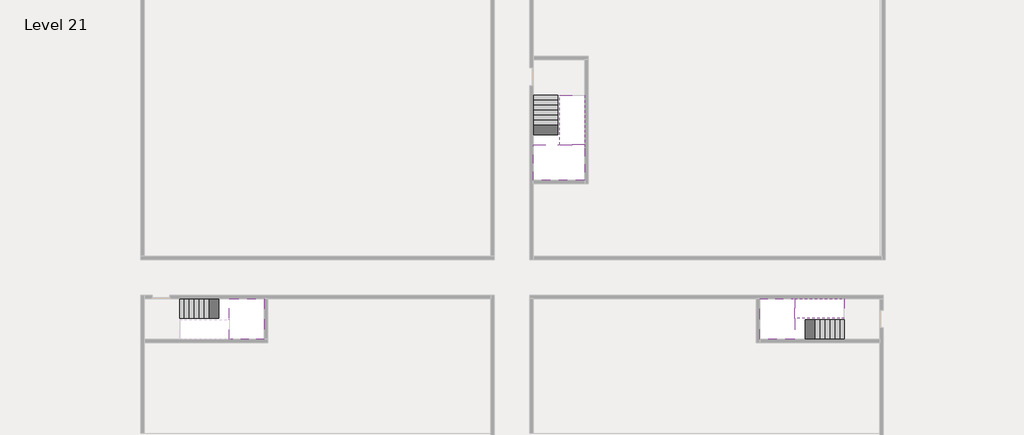
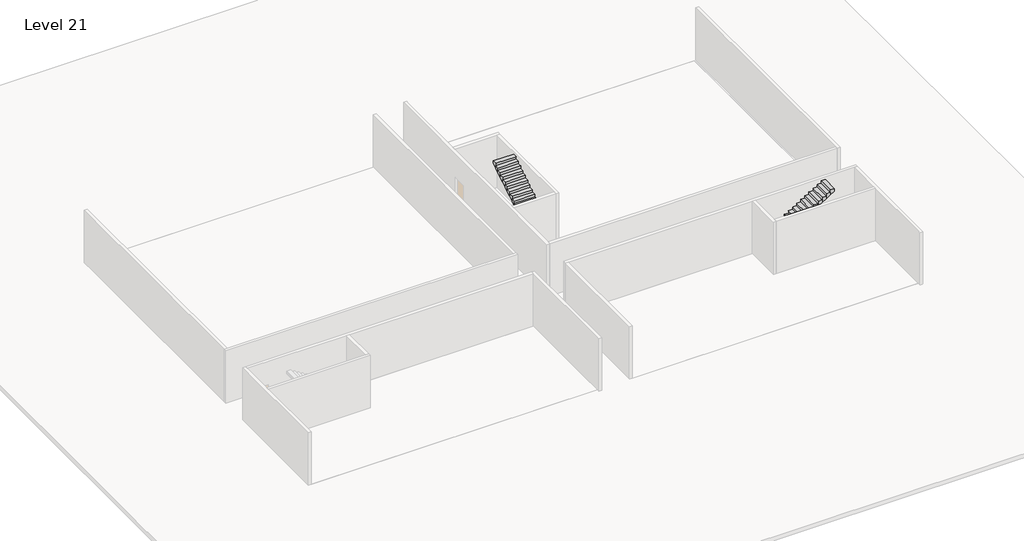
# One storey, part 2 of 2: 5 stair flights, 3 slabs.
"""IFC4 building model written with IfcOpenShell, lengths in millimetres."""

import ifcopenshell
import ifcopenshell.guid

model = None  # the IFC model being written
_history = None  # IfcOwnerHistory: only IFC2X3 demands one
_inside = {}  # id of a spatial element -> (the spatial element, [elements in it])
_under = {}  # id of a project, library or spatial element -> (it, [spatial elements below it])
_declared = {}  # id of a project -> (the project, [libraries it declares])
_typed = {}  # id of a type object -> (the type object, [elements of that type])
_made_of = {}  # id of a material, layer set ... -> (it, [elements and type objects made of it])


def new_model(schema):
    """Start an empty IFC model of exactly this schema.

    Asked for "IFC4X3", IfcOpenShell would pick the latest addendum, in which some entities
    have other attributes; the version numbers below select the first issue.
    IFC2X3 requires an IfcOwnerHistory on every rooted entity: one is made here for all.
    """
    global model, _history
    if schema == "IFC4X3":
        model = ifcopenshell.file(schema_version=(4, 3, 0, 0))
    else:
        model = ifcopenshell.file(schema=schema)
    _inside.clear()
    _under.clear()
    _declared.clear()
    _typed.clear()
    _made_of.clear()
    _history = None
    if model.schema == "IFC2X3":
        org = make("IfcOrganization", Name="unknown")
        user = make(
            "IfcPersonAndOrganization",
            ThePerson=make("IfcPerson", FamilyName="unknown"),
            TheOrganization=org,
        )
        app = make(
            "IfcApplication",
            ApplicationDeveloper=org,
            Version="unknown",
            ApplicationFullName="unknown",
            ApplicationIdentifier="unknown",
        )
        _history = make(
            "IfcOwnerHistory",
            OwningUser=user,
            OwningApplication=app,
            ChangeAction="ADDED",
            CreationDate=0,
        )
    return model


def make(cls, **values):
    """One entity of the class cls with the attributes given. An attribute that is None is left unset."""
    return model.create_entity(
        cls, **{name: value for name, value in values.items() if value is not None}
    )


def rooted(cls, **values):
    """An entity with a GlobalId (a new one), such as an element, a storey or a relation."""
    return make(cls, GlobalId=ifcopenshell.guid.new(), OwnerHistory=_history, **values)


def si_unit(unit_type, name, prefix=None):
    """IfcSIUnit, for example si_unit("LENGTHUNIT", "METRE", prefix="MILLI")."""
    return make("IfcSIUnit", UnitType=unit_type, Prefix=prefix, Name=name)


def assignment(units):
    """IfcUnitAssignment: the units of a project."""
    return None if units is None else make("IfcUnitAssignment", Units=units)


def point(xyz):
    """IfcCartesianPoint."""
    return None if xyz is None else make("IfcCartesianPoint", Coordinates=xyz)


def direction(xyz):
    """IfcDirection."""
    return None if xyz is None else make("IfcDirection", DirectionRatios=xyz)


def frame(location, z_axis=None, x_axis=None):
    """IfcAxis2Placement3D, a coordinate frame: its origin and axes. An axis left out is left unset."""
    return make(
        "IfcAxis2Placement3D",
        Location=point(location),
        Axis=direction(z_axis),
        RefDirection=direction(x_axis),
    )


def origin():
    """The frame at (0, 0, 0) with its axes left unset."""
    return frame((0.0, 0.0, 0.0))


def place(relative_to, where):
    """IfcLocalPlacement: puts the frame where relative to a parent placement (None: the world)."""
    return make(
        "IfcLocalPlacement", PlacementRelTo=relative_to, RelativePlacement=where
    )


def context(
    kind, dimensions, precision=None, world=None, true_north=None, identifier=None
):
    """IfcGeometricRepresentationContext, for example the 3D "Model" context."""
    return make(
        "IfcGeometricRepresentationContext",
        ContextIdentifier=identifier,
        ContextType=kind,
        CoordinateSpaceDimension=dimensions,
        Precision=precision,
        WorldCoordinateSystem=world,
        TrueNorth=true_north,
    )


def project(units=None, contexts=None):
    """IfcProject with its units and contexts."""
    return rooted(
        "IfcProject",
        Name="project",
        RepresentationContexts=contexts,
        UnitsInContext=assignment(units),
    )


def spatial(cls, under=None, at=None, **own):
    """A site, building, storey or space (cls), placed at a placement, below another one or the project."""
    s = rooted(cls, ObjectPlacement=at, **own)
    if under is not None:
        _under.setdefault(under.id(), (under, []))[1].append(s)
    return s


def faces_of(points, faces, orient=None, outer=None):
    """IfcFace entities. A face is a list of loops; a loop is a list of indices into points, from 0.

    orient and outer hold one flag for each loop. By default every Orientation is true, the
    first loop of a face is its IfcFaceOuterBound and the others are IfcFaceBound.
    """
    made = []
    for i, loops in enumerate(faces):
        bounds = []
        for j, loop in enumerate(loops):
            is_outer = j == 0 if outer is None else outer[i][j]
            bounds.append(
                make(
                    "IfcFaceOuterBound" if is_outer else "IfcFaceBound",
                    Bound=make("IfcPolyLoop", Polygon=[points[k] for k in loop]),
                    Orientation=True if orient is None else orient[i][j],
                )
            )
        made.append(make("IfcFace", Bounds=bounds))
    return made


def faceted_brep(points, faces, orient=None, outer=None, voids=None):
    """IfcFacetedBrep: a solid bounded by flat faces; with voids (closed shells), ...WithVoids."""
    shared = [point(p) for p in points]
    hull = make("IfcClosedShell", CfsFaces=faces_of(shared, faces, orient, outer))
    if voids is None:
        return make("IfcFacetedBrep", Outer=hull)
    return make(
        "IfcFacetedBrepWithVoids",
        Outer=hull,
        Voids=[
            make(cls, CfsFaces=faces_of(shared, fs, o, b)) for cls, fs, o, b in voids
        ],
    )


def shape(context_of_items, identifier, shape_type, items):
    """IfcShapeRepresentation: the items that make up one representation, for example the "Body"."""
    return make(
        "IfcShapeRepresentation",
        ContextOfItems=context_of_items,
        RepresentationIdentifier=identifier,
        RepresentationType=shape_type,
        Items=items,
    )


def made_of(thing, what):
    """Note that an element or type object is made of a material, layer set ...; save() writes the relation."""
    if what is not None:
        _made_of.setdefault(what.id(), (what, []))[1].append(thing)
    return thing


def element(
    cls,
    number,
    at=None,
    inside=None,
    cuts=None,
    type_object=None,
    material=None,
    context=None,
    identifier="Body",
    shape_type=None,
    held_by="IfcProductDefinitionShape",
    body=None,
    shapes=None,
    **own,
):
    """One element of the class cls, such as IfcWall. Its Tag is "e" and its number.

    at: its placement. inside: the storey or other place that contains it. cuts: it is an
    opening in that element (IfcRelVoidsElement). A single representation is given by context,
    identifier, shape_type and body (its items); several are given by shapes. held_by: the class
    of the entity that holds the representations. save() writes the other relations.
    """
    e = rooted(cls, Tag="e%d" % number, ObjectPlacement=at, **own)
    if body is not None:
        shapes = [shape(context, identifier, shape_type, body)]
    if shapes is not None:
        e.Representation = make(held_by, Representations=shapes)
    if inside is not None:
        _inside.setdefault(inside.id(), (inside, []))[1].append(e)
    if cuts is not None:
        rooted(
            "IfcRelVoidsElement", RelatingBuildingElement=cuts, RelatedOpeningElement=e
        )
    if type_object is not None:
        _typed.setdefault(type_object.id(), (type_object, []))[1].append(e)
    return made_of(e, material)


def aggregate(whole, parts):
    """IfcRelAggregates: a whole, such as a stair, and the parts it consists of."""
    return rooted("IfcRelAggregates", RelatingObject=whole, RelatedObjects=parts)


def save(model, path):
    """Write the relations noted so far, then the file.

    IfcRelAggregates (storeys below a building ...), IfcRelContainedInSpatialStructure (elements
    in a storey), IfcRelDefinesByType, IfcRelAssociatesMaterial and IfcRelDeclares: one each for
    every whole, place, type object, material and project.
    """
    for whole, parts in _under.values():
        aggregate(whole, parts)
    for where, things in _inside.values():
        rooted(
            "IfcRelContainedInSpatialStructure",
            RelatedElements=things,
            RelatingStructure=where,
        )
    for kind, things in _typed.values():
        rooted("IfcRelDefinesByType", RelatedObjects=things, RelatingType=kind)
    for what, things in _made_of.values():
        rooted("IfcRelAssociatesMaterial", RelatedObjects=things, RelatingMaterial=what)
    for by, libraries in _declared.values():
        rooted("IfcRelDeclares", RelatingContext=by, RelatedDefinitions=libraries)
    model.write(path)


model = new_model("IFC4")

# Units and contexts
model_context = context("Model", 3, world=origin())
ifc_project = project(units=[si_unit("LENGTHUNIT", "METRE", prefix="MILLI")], contexts=[model_context])

# Site, building, storey
site = spatial("IfcSite", under=ifc_project)
building = spatial("IfcBuilding", under=site)
storey = spatial("IfcBuildingStorey", under=building, Name="Level 21", Elevation=76000.0)

# Slabs
placement = place(None, origin())
element("IfcSlab", 1, at=placement, inside=storey, context=model_context, shape_type="Brep", body=[
    faceted_brep([(8190.1058784, -42918.09644, 77900.0), (8190.1058784, -44018.09644, 77900.0), (8190.1058784, -44118.09644, 77900.0), (8190.1058784, -45218.09644, 77900.0), (8390.7194421, -45218.09644, 77900.0), (10190.1058784, -45218.09644, 77900.0), (10190.1058784, -42918.09644, 77900.0), (8269.4923146, -42918.09644, 77900.0), (8190.1058784, -42918.09644, 77727.2727273), (8190.1058784, -42918.09644, 77551.0278478), (8190.1058784, -44018.09644, 77551.0278478), (8190.1058784, -44018.09644, 77600.0), (8190.1058784, -44118.09644, 77600.0), (8190.1058784, -44118.09644, 77723.7551205), (8190.1058784, -45218.09644, 77723.7551205), (8390.7194421, -45218.09644, 77600.0), (10190.1058784, -45218.09644, 77600.0), (10190.1058784, -42918.09644, 77600.0), (8269.4923146, -42918.09644, 77600.0), (8390.7194421, -44118.09644, 77600.0), (8269.4923146, -44018.09644, 77600.0)], [[[0, 1, 2, 3, 4, 5, 6, 7]], [[1, 0, 8, 9, 10, 11]], [[2, 1, 11, 12, 13]], [[3, 2, 13, 14]], [[3, 14, 15, 16, 5, 4]], [[6, 5, 16, 17]], [[9, 8, 0, 7, 6, 17, 18]], [[19, 12, 11, 20, 18, 17, 16, 15]], [[12, 19, 13]], [[18, 20, 10, 9]], [[20, 11, 10]], [[19, 15, 14, 13]]]),
])
element("IfcSlab", 2, at=placement, inside=storey, context=model_context, shape_type="Brep", body=[
    faceted_brep([(40190.1058784, -45218.09644, 77900.0), (40190.1058784, -44118.09644, 77900.0), (40190.1058784, -44018.09644, 77900.0), (40190.1058784, -42918.09644, 77900.0), (39989.4923146, -42918.09644, 77900.0), (38190.1058784, -42918.09644, 77900.0), (38190.1058784, -45218.09644, 77900.0), (40110.7194421, -45218.09644, 77900.0), (40190.1058784, -45218.09644, 77727.2727273), (40190.1058784, -45218.09644, 77551.0278478), (40190.1058784, -44118.09644, 77551.0278478), (40190.1058784, -44118.09644, 77600.0), (40190.1058784, -44018.09644, 77600.0), (40190.1058784, -44018.09644, 77723.7551205), (40190.1058784, -42918.09644, 77723.7551205), (39989.4923146, -42918.09644, 77600.0), (38190.1058784, -42918.09644, 77600.0), (38190.1058784, -45218.09644, 77600.0), (40110.7194421, -45218.09644, 77600.0), (39989.4923146, -44018.09644, 77600.0), (40110.7194421, -44118.09644, 77600.0)], [[[0, 1, 2, 3, 4, 5, 6, 7]], [[1, 0, 8, 9, 10, 11]], [[2, 1, 11, 12, 13]], [[3, 2, 13, 14]], [[3, 14, 15, 16, 5, 4]], [[6, 5, 16, 17]], [[9, 8, 0, 7, 6, 17, 18]], [[19, 12, 11, 20, 18, 17, 16, 15]], [[12, 19, 13]], [[18, 20, 10, 9]], [[20, 11, 10]], [[19, 15, 14, 13]]]),
])
element("IfcSlab", 3, at=placement, inside=storey, context=model_context, shape_type="Brep", body=[
    faceted_brep([(26790.1058784, -34218.09644, 77900.0), (25390.1058784, -34218.09644, 77900.0), (25390.1058784, -34297.4828763, 77900.0), (25390.1058784, -36218.09644, 77900.0), (28290.1058784, -36218.09644, 77900.0), (28290.1058784, -34418.7100038, 77900.0), (28290.1058784, -34218.09644, 77900.0), (26890.1058784, -34218.09644, 77900.0), (26790.1058784, -34218.09644, 77600.0), (26790.1058784, -34218.09644, 77551.0278478), (25390.1058784, -34218.09644, 77551.0278478), (25390.1058784, -34218.09644, 77727.2727273), (25390.1058784, -34297.4828763, 77600.0), (25390.1058784, -36218.09644, 77600.0), (28290.1058784, -36218.09644, 77600.0), (28290.1058784, -34418.7100038, 77600.0), (28290.1058784, -34218.09644, 77723.7551205), (26890.1058784, -34218.09644, 77723.7551205), (26890.1058784, -34218.09644, 77600.0), (26890.1058784, -34418.7100038, 77600.0), (26790.1058784, -34297.4828763, 77600.0)], [[[0, 1, 2, 3, 4, 5, 6, 7]], [[1, 0, 8, 9, 10, 11]], [[1, 11, 10, 12, 13, 3, 2]], [[4, 3, 13, 14]], [[4, 14, 15, 16, 6, 5]], [[7, 6, 16, 17]], [[0, 7, 17, 18, 8]], [[18, 19, 15, 14, 13, 12, 20, 8]], [[19, 18, 17]], [[20, 12, 10, 9]], [[8, 20, 9]], [[15, 19, 17, 16]]]),
])

# Stair flights
element("IfcStairFlight", 4, at=placement, inside=storey, context=model_context, shape_type="Brep", body=[
    faceted_brep([(5670.1058784, -42918.09644, 76172.7272727), (5390.1058784, -42918.09644, 76172.7272727), (5390.1058784, -44018.09644, 76172.7272727), (5670.1058784, -44018.09644, 76172.7272727), (5670.1058784, -42918.09644, 76000.0), (5390.1058784, -42918.09644, 76000.0), (5390.1058784, -44018.09644, 76000.0), (5670.1058784, -44018.09644, 76000.0), (5950.1058784, -42918.09644, 76345.4545455), (5670.1058784, -42918.09644, 76345.4545455), (5670.1058784, -44018.09644, 76345.4545455), (5950.1058784, -44018.09644, 76345.4545455), (5950.1058784, -42918.09644, 76169.209666), (5675.8081041, -42918.09644, 76000.0), (5675.8081041, -44018.09644, 76000.0), (5950.1058784, -44018.09644, 76169.209666), (6230.1058784, -42918.09644, 76518.1818182), (5950.1058784, -42918.09644, 76518.1818182), (5950.1058784, -44018.09644, 76518.1818182), (6230.1058784, -44018.09644, 76518.1818182), (6230.1058784, -42918.09644, 76341.9369387), (6230.1058784, -44018.09644, 76341.9369387), (6510.1058784, -42918.09644, 76690.9090909), (6230.1058784, -42918.09644, 76690.9090909), (6230.1058784, -44018.09644, 76690.9090909), (6510.1058784, -44018.09644, 76690.9090909), (6510.1058784, -42918.09644, 76514.6642114), (6510.1058784, -44018.09644, 76514.6642114), (6790.1058784, -42918.09644, 76863.6363636), (6510.1058784, -42918.09644, 76863.6363636), (6510.1058784, -44018.09644, 76863.6363636), (6790.1058784, -44018.09644, 76863.6363636), (6790.1058784, -42918.09644, 76687.3914841), (6790.1058784, -44018.09644, 76687.3914841), (7070.1058784, -42918.09644, 77036.3636364), (6790.1058784, -42918.09644, 77036.3636364), (6790.1058784, -44018.09644, 77036.3636364), (7070.1058784, -44018.09644, 77036.3636364), (7070.1058784, -42918.09644, 76860.1187569), (7070.1058784, -44018.09644, 76860.1187569), (7350.1058784, -42918.09644, 77209.0909091), (7070.1058784, -42918.09644, 77209.0909091), (7070.1058784, -44018.09644, 77209.0909091), (7350.1058784, -44018.09644, 77209.0909091), (7350.1058784, -42918.09644, 77032.8460296), (7350.1058784, -44018.09644, 77032.8460296), (7630.1058784, -42918.09644, 77381.8181818), (7350.1058784, -42918.09644, 77381.8181818), (7350.1058784, -44018.09644, 77381.8181818), (7630.1058784, -44018.09644, 77381.8181818), (7630.1058784, -42918.09644, 77205.5733023), (7630.1058784, -44018.09644, 77205.5733023), (7910.1058784, -42918.09644, 77554.5454545), (7630.1058784, -42918.09644, 77554.5454545), (7630.1058784, -44018.09644, 77554.5454545), (7910.1058784, -44018.09644, 77554.5454545), (7910.1058784, -42918.09644, 77378.3005751), (7910.1058784, -44018.09644, 77378.3005751), (8190.1058784, -42918.09644, 77727.2727273), (7910.1058784, -42918.09644, 77727.2727273), (7910.1058784, -44018.09644, 77727.2727273), (8190.1058784, -44018.09644, 77727.2727273), (8190.1058784, -42918.09644, 77551.0278478), (8190.1058784, -44018.09644, 77551.0278478), (8190.1058784, -44018.09644, 77600.0)], [[[0, 1, 2, 3]], [[1, 0, 4, 5]], [[2, 1, 5, 6]], [[3, 2, 6, 7]], [[8, 9, 10, 11]], [[4, 0, 9, 8, 12, 13]], [[0, 3, 10, 9]], [[3, 7, 14, 15, 11, 10]], [[16, 17, 18, 19]], [[17, 16, 20, 12, 8]], [[8, 11, 18, 17]], [[19, 18, 11, 15, 21]], [[22, 23, 24, 25]], [[23, 22, 26, 20, 16]], [[16, 19, 24, 23]], [[25, 24, 19, 21, 27]], [[28, 29, 30, 31]], [[29, 28, 32, 26, 22]], [[22, 25, 30, 29]], [[31, 30, 25, 27, 33]], [[34, 35, 36, 37]], [[35, 34, 38, 32, 28]], [[28, 31, 36, 35]], [[37, 36, 31, 33, 39]], [[40, 41, 42, 43]], [[41, 40, 44, 38, 34]], [[34, 37, 42, 41]], [[43, 42, 37, 39, 45]], [[46, 47, 48, 49]], [[47, 46, 50, 44, 40]], [[40, 43, 48, 47]], [[49, 48, 43, 45, 51]], [[52, 53, 54, 55]], [[53, 52, 56, 50, 46]], [[46, 49, 54, 53]], [[55, 54, 49, 51, 57]], [[58, 59, 60, 61]], [[59, 58, 62, 56, 52]], [[52, 55, 60, 59]], [[61, 60, 55, 57, 63, 64]], [[58, 61, 64, 63, 62]], [[5, 4, 13, 14, 7, 6]], [[14, 13, 12, 20, 26, 32, 38, 44, 50, 56, 62, 63, 57, 51, 45, 39, 33, 27, 21, 15]]]),
])
element("IfcStairFlight", 5, at=placement, inside=storey, context=model_context, shape_type="Brep", body=[
    faceted_brep([(42710.1058784, -45218.09644, 76172.7272727), (42990.1058784, -45218.09644, 76172.7272727), (42990.1058784, -44118.09644, 76172.7272727), (42710.1058784, -44118.09644, 76172.7272727), (42710.1058784, -45218.09644, 76000.0), (42990.1058784, -45218.09644, 76000.0), (42990.1058784, -44118.09644, 76000.0), (42710.1058784, -44118.09644, 76000.0), (42430.1058784, -45218.09644, 76345.4545455), (42710.1058784, -45218.09644, 76345.4545455), (42710.1058784, -44118.09644, 76345.4545455), (42430.1058784, -44118.09644, 76345.4545455), (42430.1058784, -45218.09644, 76169.209666), (42704.4036527, -45218.09644, 76000.0), (42704.4036527, -44118.09644, 76000.0), (42430.1058784, -44118.09644, 76169.209666), (42150.1058784, -45218.09644, 76518.1818182), (42430.1058784, -45218.09644, 76518.1818182), (42430.1058784, -44118.09644, 76518.1818182), (42150.1058784, -44118.09644, 76518.1818182), (42150.1058784, -45218.09644, 76341.9369387), (42150.1058784, -44118.09644, 76341.9369387), (41870.1058784, -45218.09644, 76690.9090909), (42150.1058784, -45218.09644, 76690.9090909), (42150.1058784, -44118.09644, 76690.9090909), (41870.1058784, -44118.09644, 76690.9090909), (41870.1058784, -45218.09644, 76514.6642114), (41870.1058784, -44118.09644, 76514.6642114), (41590.1058784, -45218.09644, 76863.6363636), (41870.1058784, -45218.09644, 76863.6363636), (41870.1058784, -44118.09644, 76863.6363636), (41590.1058784, -44118.09644, 76863.6363636), (41590.1058784, -45218.09644, 76687.3914841), (41590.1058784, -44118.09644, 76687.3914841), (41310.1058784, -45218.09644, 77036.3636364), (41590.1058784, -45218.09644, 77036.3636364), (41590.1058784, -44118.09644, 77036.3636364), (41310.1058784, -44118.09644, 77036.3636364), (41310.1058784, -45218.09644, 76860.1187569), (41310.1058784, -44118.09644, 76860.1187569), (41030.1058784, -45218.09644, 77209.0909091), (41310.1058784, -45218.09644, 77209.0909091), (41310.1058784, -44118.09644, 77209.0909091), (41030.1058784, -44118.09644, 77209.0909091), (41030.1058784, -45218.09644, 77032.8460296), (41030.1058784, -44118.09644, 77032.8460296), (40750.1058784, -45218.09644, 77381.8181818), (41030.1058784, -45218.09644, 77381.8181818), (41030.1058784, -44118.09644, 77381.8181818), (40750.1058784, -44118.09644, 77381.8181818), (40750.1058784, -45218.09644, 77205.5733023), (40750.1058784, -44118.09644, 77205.5733023), (40470.1058784, -45218.09644, 77554.5454545), (40750.1058784, -45218.09644, 77554.5454545), (40750.1058784, -44118.09644, 77554.5454545), (40470.1058784, -44118.09644, 77554.5454545), (40470.1058784, -45218.09644, 77378.3005751), (40470.1058784, -44118.09644, 77378.3005751), (40190.1058784, -45218.09644, 77727.2727273), (40470.1058784, -45218.09644, 77727.2727273), (40470.1058784, -44118.09644, 77727.2727273), (40190.1058784, -44118.09644, 77727.2727273), (40190.1058784, -45218.09644, 77551.0278478), (40190.1058784, -44118.09644, 77551.0278478), (40190.1058784, -44118.09644, 77600.0)], [[[0, 1, 2, 3]], [[1, 0, 4, 5]], [[2, 1, 5, 6]], [[3, 2, 6, 7]], [[8, 9, 10, 11]], [[4, 0, 9, 8, 12, 13]], [[0, 3, 10, 9]], [[3, 7, 14, 15, 11, 10]], [[16, 17, 18, 19]], [[17, 16, 20, 12, 8]], [[8, 11, 18, 17]], [[19, 18, 11, 15, 21]], [[22, 23, 24, 25]], [[23, 22, 26, 20, 16]], [[16, 19, 24, 23]], [[25, 24, 19, 21, 27]], [[28, 29, 30, 31]], [[29, 28, 32, 26, 22]], [[22, 25, 30, 29]], [[31, 30, 25, 27, 33]], [[34, 35, 36, 37]], [[35, 34, 38, 32, 28]], [[28, 31, 36, 35]], [[37, 36, 31, 33, 39]], [[40, 41, 42, 43]], [[41, 40, 44, 38, 34]], [[34, 37, 42, 41]], [[43, 42, 37, 39, 45]], [[46, 47, 48, 49]], [[47, 46, 50, 44, 40]], [[40, 43, 48, 47]], [[49, 48, 43, 45, 51]], [[52, 53, 54, 55]], [[53, 52, 56, 50, 46]], [[46, 49, 54, 53]], [[55, 54, 49, 51, 57]], [[58, 59, 60, 61]], [[59, 58, 62, 56, 52]], [[52, 55, 60, 59]], [[61, 60, 55, 57, 63, 64]], [[58, 61, 64, 63, 62]], [[5, 4, 13, 14, 7, 6]], [[14, 13, 12, 20, 26, 32, 38, 44, 50, 56, 62, 63, 57, 51, 45, 39, 33, 27, 21, 15]]]),
])
element("IfcStairFlight", 6, at=placement, inside=storey, context=model_context, shape_type="Brep", body=[
    faceted_brep([(40470.1058784, -42918.09644, 78072.7272727), (40190.1058784, -42918.09644, 78072.7272727), (40190.1058784, -44018.09644, 78072.7272727), (40470.1058784, -44018.09644, 78072.7272727), (40470.1058784, -42918.09644, 77896.4823932), (40190.1058784, -42918.09644, 77723.7551205), (40190.1058784, -42918.09644, 77900.0), (40190.1058784, -44018.09644, 77723.7551205), (40470.1058784, -44018.09644, 77896.4823932), (40750.1058784, -42918.09644, 78245.4545455), (40470.1058784, -42918.09644, 78245.4545455), (40470.1058784, -44018.09644, 78245.4545455), (40750.1058784, -44018.09644, 78245.4545455), (40750.1058784, -42918.09644, 78069.209666), (40750.1058784, -44018.09644, 78069.209666), (41030.1058784, -42918.09644, 78418.1818182), (40750.1058784, -42918.09644, 78418.1818182), (40750.1058784, -44018.09644, 78418.1818182), (41030.1058784, -44018.09644, 78418.1818182), (41030.1058784, -42918.09644, 78241.9369387), (41030.1058784, -44018.09644, 78241.9369387), (41310.1058784, -42918.09644, 78590.9090909), (41030.1058784, -42918.09644, 78590.9090909), (41030.1058784, -44018.09644, 78590.9090909), (41310.1058784, -44018.09644, 78590.9090909), (41310.1058784, -42918.09644, 78414.6642114), (41310.1058784, -44018.09644, 78414.6642114), (41590.1058784, -42918.09644, 78763.6363636), (41310.1058784, -42918.09644, 78763.6363636), (41310.1058784, -44018.09644, 78763.6363636), (41590.1058784, -44018.09644, 78763.6363636), (41590.1058784, -42918.09644, 78587.3914841), (41590.1058784, -44018.09644, 78587.3914841), (41870.1058784, -42918.09644, 78936.3636364), (41590.1058784, -42918.09644, 78936.3636364), (41590.1058784, -44018.09644, 78936.3636364), (41870.1058784, -44018.09644, 78936.3636364), (41870.1058784, -42918.09644, 78760.1187569), (41870.1058784, -44018.09644, 78760.1187569), (42150.1058784, -42918.09644, 79109.0909091), (41870.1058784, -42918.09644, 79109.0909091), (41870.1058784, -44018.09644, 79109.0909091), (42150.1058784, -44018.09644, 79109.0909091), (42150.1058784, -42918.09644, 78932.8460296), (42150.1058784, -44018.09644, 78932.8460296), (42430.1058784, -42918.09644, 79281.8181818), (42150.1058784, -42918.09644, 79281.8181818), (42150.1058784, -44018.09644, 79281.8181818), (42430.1058784, -44018.09644, 79281.8181818), (42430.1058784, -42918.09644, 79105.5733023), (42430.1058784, -44018.09644, 79105.5733023), (42710.1058784, -42918.09644, 79454.5454545), (42430.1058784, -42918.09644, 79454.5454545), (42430.1058784, -44018.09644, 79454.5454545), (42710.1058784, -44018.09644, 79454.5454545), (42710.1058784, -42918.09644, 79278.3005751), (42710.1058784, -44018.09644, 79278.3005751), (42990.1058784, -42918.09644, 79627.2727273), (42710.1058784, -42918.09644, 79627.2727273), (42710.1058784, -44018.09644, 79627.2727273), (42990.1058784, -44018.09644, 79627.2727273), (42990.1058784, -42918.09644, 79451.0278478), (42990.1058784, -44018.09644, 79451.0278478)], [[[0, 1, 2, 3]], [[1, 0, 4, 5, 6]], [[2, 1, 6, 5, 7]], [[3, 2, 7, 8]], [[9, 10, 11, 12]], [[10, 9, 13, 4, 0]], [[11, 10, 0, 3]], [[12, 11, 3, 8, 14]], [[15, 16, 17, 18]], [[16, 15, 19, 13, 9]], [[17, 16, 9, 12]], [[18, 17, 12, 14, 20]], [[21, 22, 23, 24]], [[22, 21, 25, 19, 15]], [[23, 22, 15, 18]], [[24, 23, 18, 20, 26]], [[27, 28, 29, 30]], [[28, 27, 31, 25, 21]], [[29, 28, 21, 24]], [[30, 29, 24, 26, 32]], [[33, 34, 35, 36]], [[34, 33, 37, 31, 27]], [[35, 34, 27, 30]], [[36, 35, 30, 32, 38]], [[39, 40, 41, 42]], [[40, 39, 43, 37, 33]], [[41, 40, 33, 36]], [[42, 41, 36, 38, 44]], [[45, 46, 47, 48]], [[46, 45, 49, 43, 39]], [[47, 46, 39, 42]], [[48, 47, 42, 44, 50]], [[51, 52, 53, 54]], [[52, 51, 55, 49, 45]], [[53, 52, 45, 48]], [[54, 53, 48, 50, 56]], [[57, 58, 59, 60]], [[58, 57, 61, 55, 51]], [[59, 58, 51, 54]], [[60, 59, 54, 56, 62]], [[57, 60, 62, 61]], [[5, 4, 13, 19, 25, 31, 37, 43, 49, 55, 61, 62, 56, 50, 44, 38, 32, 26, 20, 14, 8, 7]]]),
])
element("IfcStairFlight", 7, at=placement, inside=storey, context=model_context, shape_type="Brep", body=[
    faceted_brep([(26790.1058784, -31698.09644, 76172.7272727), (26790.1058784, -31418.09644, 76172.7272727), (25390.1058784, -31418.09644, 76172.7272727), (25390.1058784, -31698.09644, 76172.7272727), (26790.1058784, -31698.09644, 76000.0), (26790.1058784, -31418.09644, 76000.0), (25390.1058784, -31418.09644, 76000.0), (25390.1058784, -31698.09644, 76000.0), (26790.1058784, -31978.09644, 76345.4545455), (26790.1058784, -31698.09644, 76345.4545455), (25390.1058784, -31698.09644, 76345.4545455), (25390.1058784, -31978.09644, 76345.4545455), (26790.1058784, -31978.09644, 76169.209666), (26790.1058784, -31703.7986657, 76000.0), (25390.1058784, -31703.7986657, 76000.0), (25390.1058784, -31978.09644, 76169.209666), (26790.1058784, -32258.09644, 76518.1818182), (26790.1058784, -31978.09644, 76518.1818182), (25390.1058784, -31978.09644, 76518.1818182), (25390.1058784, -32258.09644, 76518.1818182), (26790.1058784, -32258.09644, 76341.9369387), (25390.1058784, -32258.09644, 76341.9369387), (26790.1058784, -32538.09644, 76690.9090909), (26790.1058784, -32258.09644, 76690.9090909), (25390.1058784, -32258.09644, 76690.9090909), (25390.1058784, -32538.09644, 76690.9090909), (26790.1058784, -32538.09644, 76514.6642114), (25390.1058784, -32538.09644, 76514.6642114), (26790.1058784, -32818.09644, 76863.6363636), (26790.1058784, -32538.09644, 76863.6363636), (25390.1058784, -32538.09644, 76863.6363636), (25390.1058784, -32818.09644, 76863.6363636), (26790.1058784, -32818.09644, 76687.3914841), (25390.1058784, -32818.09644, 76687.3914841), (26790.1058784, -33098.09644, 77036.3636364), (26790.1058784, -32818.09644, 77036.3636364), (25390.1058784, -32818.09644, 77036.3636364), (25390.1058784, -33098.09644, 77036.3636364), (26790.1058784, -33098.09644, 76860.1187569), (25390.1058784, -33098.09644, 76860.1187569), (26790.1058784, -33378.09644, 77209.0909091), (26790.1058784, -33098.09644, 77209.0909091), (25390.1058784, -33098.09644, 77209.0909091), (25390.1058784, -33378.09644, 77209.0909091), (26790.1058784, -33378.09644, 77032.8460296), (25390.1058784, -33378.09644, 77032.8460296), (26790.1058784, -33658.09644, 77381.8181818), (26790.1058784, -33378.09644, 77381.8181818), (25390.1058784, -33378.09644, 77381.8181818), (25390.1058784, -33658.09644, 77381.8181818), (26790.1058784, -33658.09644, 77205.5733023), (25390.1058784, -33658.09644, 77205.5733023), (26790.1058784, -33938.09644, 77554.5454545), (26790.1058784, -33658.09644, 77554.5454545), (25390.1058784, -33658.09644, 77554.5454545), (25390.1058784, -33938.09644, 77554.5454545), (26790.1058784, -33938.09644, 77378.3005751), (25390.1058784, -33938.09644, 77378.3005751), (26790.1058784, -34218.09644, 77727.2727273), (26790.1058784, -33938.09644, 77727.2727273), (25390.1058784, -33938.09644, 77727.2727273), (25390.1058784, -34218.09644, 77727.2727273), (26790.1058784, -34218.09644, 77600.0), (26790.1058784, -34218.09644, 77551.0278478), (25390.1058784, -34218.09644, 77551.0278478)], [[[0, 1, 2, 3]], [[1, 0, 4, 5]], [[2, 1, 5, 6]], [[3, 2, 6, 7]], [[8, 9, 10, 11]], [[4, 0, 9, 8, 12, 13]], [[0, 3, 10, 9]], [[3, 7, 14, 15, 11, 10]], [[16, 17, 18, 19]], [[17, 16, 20, 12, 8]], [[8, 11, 18, 17]], [[19, 18, 11, 15, 21]], [[22, 23, 24, 25]], [[23, 22, 26, 20, 16]], [[16, 19, 24, 23]], [[25, 24, 19, 21, 27]], [[28, 29, 30, 31]], [[29, 28, 32, 26, 22]], [[22, 25, 30, 29]], [[31, 30, 25, 27, 33]], [[34, 35, 36, 37]], [[35, 34, 38, 32, 28]], [[28, 31, 36, 35]], [[37, 36, 31, 33, 39]], [[40, 41, 42, 43]], [[41, 40, 44, 38, 34]], [[34, 37, 42, 41]], [[43, 42, 37, 39, 45]], [[46, 47, 48, 49]], [[47, 46, 50, 44, 40]], [[40, 43, 48, 47]], [[49, 48, 43, 45, 51]], [[52, 53, 54, 55]], [[53, 52, 56, 50, 46]], [[46, 49, 54, 53]], [[55, 54, 49, 51, 57]], [[58, 59, 60, 61]], [[59, 58, 62, 63, 56, 52]], [[52, 55, 60, 59]], [[61, 60, 55, 57, 64]], [[58, 61, 64, 63, 62]], [[5, 4, 13, 14, 7, 6]], [[14, 13, 12, 20, 26, 32, 38, 44, 50, 56, 63, 64, 57, 51, 45, 39, 33, 27, 21, 15]]]),
])
element("IfcStairFlight", 8, at=placement, inside=storey, context=model_context, shape_type="Brep", body=[
    faceted_brep([(26890.1058784, -33938.09644, 78072.7272727), (26890.1058784, -34218.09644, 78072.7272727), (28290.1058784, -34218.09644, 78072.7272727), (28290.1058784, -33938.09644, 78072.7272727), (26890.1058784, -33938.09644, 77896.4823932), (26890.1058784, -34218.09644, 77723.7551205), (28290.1058784, -34218.09644, 77723.7551205), (28290.1058784, -34218.09644, 77900.0), (28290.1058784, -33938.09644, 77896.4823932), (26890.1058784, -33658.09644, 78245.4545455), (26890.1058784, -33938.09644, 78245.4545455), (28290.1058784, -33938.09644, 78245.4545455), (28290.1058784, -33658.09644, 78245.4545455), (26890.1058784, -33658.09644, 78069.209666), (28290.1058784, -33658.09644, 78069.209666), (26890.1058784, -33378.09644, 78418.1818182), (26890.1058784, -33658.09644, 78418.1818182), (28290.1058784, -33658.09644, 78418.1818182), (28290.1058784, -33378.09644, 78418.1818182), (26890.1058784, -33378.09644, 78241.9369387), (28290.1058784, -33378.09644, 78241.9369387), (26890.1058784, -33098.09644, 78590.9090909), (26890.1058784, -33378.09644, 78590.9090909), (28290.1058784, -33378.09644, 78590.9090909), (28290.1058784, -33098.09644, 78590.9090909), (26890.1058784, -33098.09644, 78414.6642114), (28290.1058784, -33098.09644, 78414.6642114), (26890.1058784, -32818.09644, 78763.6363636), (26890.1058784, -33098.09644, 78763.6363636), (28290.1058784, -33098.09644, 78763.6363636), (28290.1058784, -32818.09644, 78763.6363636), (26890.1058784, -32818.09644, 78587.3914841), (28290.1058784, -32818.09644, 78587.3914841), (26890.1058784, -32538.09644, 78936.3636364), (26890.1058784, -32818.09644, 78936.3636364), (28290.1058784, -32818.09644, 78936.3636364), (28290.1058784, -32538.09644, 78936.3636364), (26890.1058784, -32538.09644, 78760.1187569), (28290.1058784, -32538.09644, 78760.1187569), (26890.1058784, -32258.09644, 79109.0909091), (26890.1058784, -32538.09644, 79109.0909091), (28290.1058784, -32538.09644, 79109.0909091), (28290.1058784, -32258.09644, 79109.0909091), (26890.1058784, -32258.09644, 78932.8460296), (28290.1058784, -32258.09644, 78932.8460296), (26890.1058784, -31978.09644, 79281.8181818), (26890.1058784, -32258.09644, 79281.8181818), (28290.1058784, -32258.09644, 79281.8181818), (28290.1058784, -31978.09644, 79281.8181818), (26890.1058784, -31978.09644, 79105.5733023), (28290.1058784, -31978.09644, 79105.5733023), (26890.1058784, -31698.09644, 79454.5454545), (26890.1058784, -31978.09644, 79454.5454545), (28290.1058784, -31978.09644, 79454.5454545), (28290.1058784, -31698.09644, 79454.5454545), (26890.1058784, -31698.09644, 79278.3005751), (28290.1058784, -31698.09644, 79278.3005751), (26890.1058784, -31418.09644, 79627.2727273), (26890.1058784, -31698.09644, 79627.2727273), (28290.1058784, -31698.09644, 79627.2727273), (28290.1058784, -31418.09644, 79627.2727273), (26890.1058784, -31418.09644, 79451.0278478), (28290.1058784, -31418.09644, 79451.0278478)], [[[0, 1, 2, 3]], [[1, 0, 4, 5]], [[2, 1, 5, 6, 7]], [[3, 2, 7, 6, 8]], [[9, 10, 11, 12]], [[10, 9, 13, 4, 0]], [[11, 10, 0, 3]], [[12, 11, 3, 8, 14]], [[15, 16, 17, 18]], [[16, 15, 19, 13, 9]], [[17, 16, 9, 12]], [[18, 17, 12, 14, 20]], [[21, 22, 23, 24]], [[22, 21, 25, 19, 15]], [[23, 22, 15, 18]], [[24, 23, 18, 20, 26]], [[27, 28, 29, 30]], [[28, 27, 31, 25, 21]], [[29, 28, 21, 24]], [[30, 29, 24, 26, 32]], [[33, 34, 35, 36]], [[34, 33, 37, 31, 27]], [[35, 34, 27, 30]], [[36, 35, 30, 32, 38]], [[39, 40, 41, 42]], [[40, 39, 43, 37, 33]], [[41, 40, 33, 36]], [[42, 41, 36, 38, 44]], [[45, 46, 47, 48]], [[46, 45, 49, 43, 39]], [[47, 46, 39, 42]], [[48, 47, 42, 44, 50]], [[51, 52, 53, 54]], [[52, 51, 55, 49, 45]], [[53, 52, 45, 48]], [[54, 53, 48, 50, 56]], [[57, 58, 59, 60]], [[58, 57, 61, 55, 51]], [[59, 58, 51, 54]], [[60, 59, 54, 56, 62]], [[57, 60, 62, 61]], [[5, 4, 13, 19, 25, 31, 37, 43, 49, 55, 61, 62, 56, 50, 44, 38, 32, 26, 20, 14, 8, 6]]]),
])

save(model, "model.ifc")
